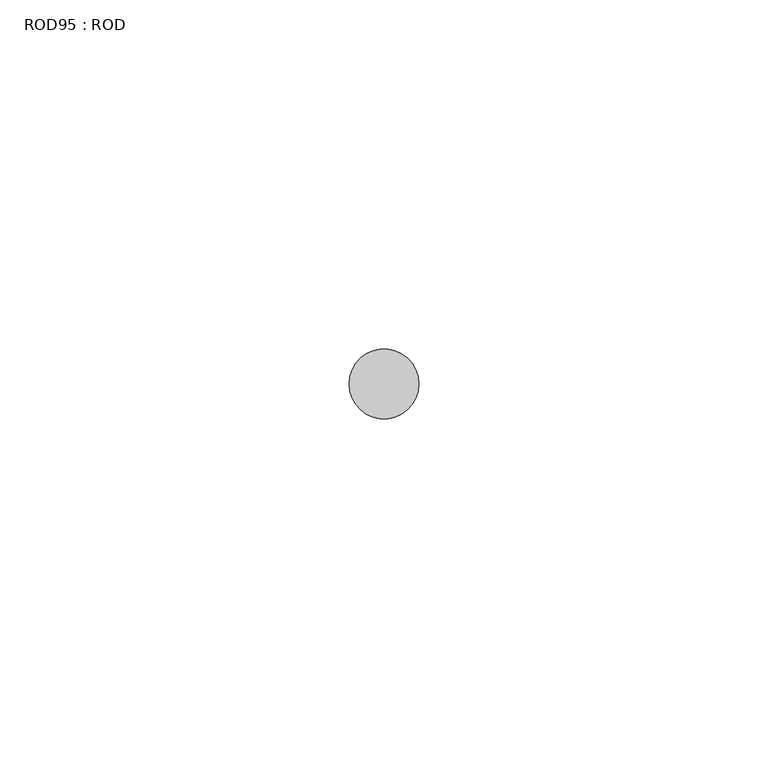
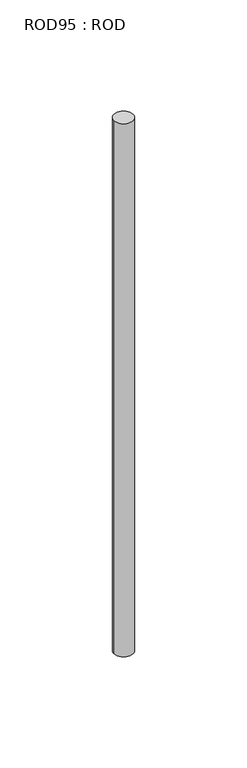
"""IFC4 building model written with IfcOpenShell, lengths in millimetres: proxy geometry, ROD95 : ROD."""

import ifcopenshell
import ifcopenshell.guid

model = None  # the IFC model being written
_history = None  # IfcOwnerHistory: only IFC2X3 demands one
_inside = {}  # id of a spatial element -> (the spatial element, [elements in it])
_under = {}  # id of a project, library or spatial element -> (it, [spatial elements below it])
_declared = {}  # id of a project -> (the project, [libraries it declares])
_typed = {}  # id of a type object -> (the type object, [elements of that type])
_made_of = {}  # id of a material, layer set ... -> (it, [elements and type objects made of it])


def new_model(schema):
    """Start an empty IFC model of exactly this schema.

    Asked for "IFC4X3", IfcOpenShell would pick the latest addendum, in which some entities
    have other attributes; the version numbers below select the first issue.
    IFC2X3 requires an IfcOwnerHistory on every rooted entity: one is made here for all.
    """
    global model, _history
    if schema == "IFC4X3":
        model = ifcopenshell.file(schema_version=(4, 3, 0, 0))
    else:
        model = ifcopenshell.file(schema=schema)
    _inside.clear()
    _under.clear()
    _declared.clear()
    _typed.clear()
    _made_of.clear()
    _history = None
    if model.schema == "IFC2X3":
        org = make("IfcOrganization", Name="unknown")
        user = make(
            "IfcPersonAndOrganization",
            ThePerson=make("IfcPerson", FamilyName="unknown"),
            TheOrganization=org,
        )
        app = make(
            "IfcApplication",
            ApplicationDeveloper=org,
            Version="unknown",
            ApplicationFullName="unknown",
            ApplicationIdentifier="unknown",
        )
        _history = make(
            "IfcOwnerHistory",
            OwningUser=user,
            OwningApplication=app,
            ChangeAction="ADDED",
            CreationDate=0,
        )
    return model


def make(cls, **values):
    """One entity of the class cls with the attributes given. An attribute that is None is left unset."""
    return model.create_entity(
        cls, **{name: value for name, value in values.items() if value is not None}
    )


def rooted(cls, **values):
    """An entity with a GlobalId (a new one), such as an element, a storey or a relation."""
    return make(cls, GlobalId=ifcopenshell.guid.new(), OwnerHistory=_history, **values)


def si_unit(unit_type, name, prefix=None):
    """IfcSIUnit, for example si_unit("LENGTHUNIT", "METRE", prefix="MILLI")."""
    return make("IfcSIUnit", UnitType=unit_type, Prefix=prefix, Name=name)


def assignment(units):
    """IfcUnitAssignment: the units of a project."""
    return None if units is None else make("IfcUnitAssignment", Units=units)


def point(xyz):
    """IfcCartesianPoint."""
    return None if xyz is None else make("IfcCartesianPoint", Coordinates=xyz)


def direction(xyz):
    """IfcDirection."""
    return None if xyz is None else make("IfcDirection", DirectionRatios=xyz)


def frame(location, z_axis=None, x_axis=None):
    """IfcAxis2Placement3D, a coordinate frame: its origin and axes. An axis left out is left unset."""
    return make(
        "IfcAxis2Placement3D",
        Location=point(location),
        Axis=direction(z_axis),
        RefDirection=direction(x_axis),
    )


def frame_2d(location, x_axis=None):
    """IfcAxis2Placement2D, a coordinate frame in the plane: its origin and x axis."""
    return make(
        "IfcAxis2Placement2D", Location=point(location), RefDirection=direction(x_axis)
    )


def origin():
    """The frame at (0, 0, 0) with its axes left unset."""
    return frame((0.0, 0.0, 0.0))


def place(relative_to, where):
    """IfcLocalPlacement: puts the frame where relative to a parent placement (None: the world)."""
    return make(
        "IfcLocalPlacement", PlacementRelTo=relative_to, RelativePlacement=where
    )


def context(
    kind, dimensions, precision=None, world=None, true_north=None, identifier=None
):
    """IfcGeometricRepresentationContext, for example the 3D "Model" context."""
    return make(
        "IfcGeometricRepresentationContext",
        ContextIdentifier=identifier,
        ContextType=kind,
        CoordinateSpaceDimension=dimensions,
        Precision=precision,
        WorldCoordinateSystem=world,
        TrueNorth=true_north,
    )


def project(units=None, contexts=None):
    """IfcProject with its units and contexts."""
    return rooted(
        "IfcProject",
        Name="project",
        RepresentationContexts=contexts,
        UnitsInContext=assignment(units),
    )


def spatial(cls, under=None, at=None, **own):
    """A site, building, storey or space (cls), placed at a placement, below another one or the project."""
    s = rooted(cls, ObjectPlacement=at, **own)
    if under is not None:
        _under.setdefault(under.id(), (under, []))[1].append(s)
    return s


def circle_curve(where, radius):
    """IfcCircle in the frame where."""
    return make("IfcCircle", Position=where, Radius=radius)


def trimmed(basis, trim1, trim2, sense, master):
    """IfcTrimmedCurve: the piece of a basis curve between two trims."""
    return make(
        "IfcTrimmedCurve",
        BasisCurve=basis,
        Trim1=trim1,
        Trim2=trim2,
        SenseAgreement=sense,
        MasterRepresentation=master,
    )


def segment(curve, same_sense, transition):
    """IfcCompositeCurveSegment."""
    return make(
        "IfcCompositeCurveSegment",
        Transition=transition,
        SameSense=same_sense,
        ParentCurve=curve,
    )


def composite_curve(segments, self_intersect=None):
    """IfcCompositeCurve: segments joined end to end."""
    return make("IfcCompositeCurve", Segments=segments, SelfIntersect=self_intersect)


def outline(outer, holes=None, kind="AREA"):
    """IfcArbitraryClosedProfileDef: a profile drawn as a closed curve; with holes, ...WithVoids."""
    if holes is None:
        return make("IfcArbitraryClosedProfileDef", ProfileType=kind, OuterCurve=outer)
    return make(
        "IfcArbitraryProfileDefWithVoids",
        ProfileType=kind,
        OuterCurve=outer,
        InnerCurves=holes,
    )


def extrude(swept, where, along, depth):
    """IfcExtrudedAreaSolid: the profile swept, set in the frame where, extruded along a direction by depth."""
    return make(
        "IfcExtrudedAreaSolid",
        SweptArea=swept,
        Position=where,
        ExtrudedDirection=direction(along),
        Depth=depth,
    )


def shape(context_of_items, identifier, shape_type, items):
    """IfcShapeRepresentation: the items that make up one representation, for example the "Body"."""
    return make(
        "IfcShapeRepresentation",
        ContextOfItems=context_of_items,
        RepresentationIdentifier=identifier,
        RepresentationType=shape_type,
        Items=items,
    )


def source(mapping_origin, context_of_items, identifier, shape_type, items):
    """IfcRepresentationMap: a shape defined once, which mapped items show again and again."""
    return make(
        "IfcRepresentationMap",
        MappingOrigin=mapping_origin,
        MappedRepresentation=shape(context_of_items, identifier, shape_type, items),
    )


def transform(
    local_origin,
    x_axis=None,
    y_axis=None,
    z_axis=None,
    scale=None,
    scale2=None,
    scale3=None,
    uniform=True,
):
    """IfcCartesianTransformationOperator3D, or its non-uniform kind. x_axis, y_axis, z_axis: its Axis1, 2, 3."""
    if uniform:
        return make(
            "IfcCartesianTransformationOperator3D",
            Axis1=direction(x_axis),
            Axis2=direction(y_axis),
            LocalOrigin=point(local_origin),
            Scale=scale,
            Axis3=direction(z_axis),
        )
    return make(
        "IfcCartesianTransformationOperator3DnonUniform",
        Axis1=direction(x_axis),
        Axis2=direction(y_axis),
        LocalOrigin=point(local_origin),
        Scale=scale,
        Axis3=direction(z_axis),
        Scale2=scale2,
        Scale3=scale3,
    )


def mapped(mapping_source, mapping_target):
    """IfcMappedItem: shows the shape of a source again, moved by a transform."""
    return make(
        "IfcMappedItem", MappingSource=mapping_source, MappingTarget=mapping_target
    )


def made_of(thing, what):
    """Note that an element or type object is made of a material, layer set ...; save() writes the relation."""
    if what is not None:
        _made_of.setdefault(what.id(), (what, []))[1].append(thing)
    return thing


def element(
    cls,
    number,
    at=None,
    inside=None,
    cuts=None,
    type_object=None,
    material=None,
    context=None,
    identifier="Body",
    shape_type=None,
    held_by="IfcProductDefinitionShape",
    body=None,
    shapes=None,
    **own,
):
    """One element of the class cls, such as IfcWall. Its Tag is "e" and its number.

    at: its placement. inside: the storey or other place that contains it. cuts: it is an
    opening in that element (IfcRelVoidsElement). A single representation is given by context,
    identifier, shape_type and body (its items); several are given by shapes. held_by: the class
    of the entity that holds the representations. save() writes the other relations.
    """
    e = rooted(cls, Tag="e%d" % number, ObjectPlacement=at, **own)
    if body is not None:
        shapes = [shape(context, identifier, shape_type, body)]
    if shapes is not None:
        e.Representation = make(held_by, Representations=shapes)
    if inside is not None:
        _inside.setdefault(inside.id(), (inside, []))[1].append(e)
    if cuts is not None:
        rooted(
            "IfcRelVoidsElement", RelatingBuildingElement=cuts, RelatedOpeningElement=e
        )
    if type_object is not None:
        _typed.setdefault(type_object.id(), (type_object, []))[1].append(e)
    return made_of(e, material)


def aggregate(whole, parts):
    """IfcRelAggregates: a whole, such as a stair, and the parts it consists of."""
    return rooted("IfcRelAggregates", RelatingObject=whole, RelatedObjects=parts)


def save(model, path):
    """Write the relations noted so far, then the file.

    IfcRelAggregates (storeys below a building ...), IfcRelContainedInSpatialStructure (elements
    in a storey), IfcRelDefinesByType, IfcRelAssociatesMaterial and IfcRelDeclares: one each for
    every whole, place, type object, material and project.
    """
    for whole, parts in _under.values():
        aggregate(whole, parts)
    for where, things in _inside.values():
        rooted(
            "IfcRelContainedInSpatialStructure",
            RelatedElements=things,
            RelatingStructure=where,
        )
    for kind, things in _typed.values():
        rooted("IfcRelDefinesByType", RelatedObjects=things, RelatingType=kind)
    for what, things in _made_of.values():
        rooted("IfcRelAssociatesMaterial", RelatedObjects=things, RelatingMaterial=what)
    for by, libraries in _declared.values():
        rooted("IfcRelDeclares", RelatingContext=by, RelatedDefinitions=libraries)
    model.write(path)


def rod95_rod_5bf75b22(model_context):
    return source(origin(), model_context, "Body", "SweptSolid", [
        extrude(outline(composite_curve([segment(trimmed(circle_curve(frame_2d((-3807.2215616, -12414.6300853)), 5.0), [point((-3812.2215616, -12414.6300853))], [point((-3802.2215616, -12414.6300853))], False, "CARTESIAN"), True, "CONTINUOUS"), segment(trimmed(circle_curve(frame_2d((-3807.2215616, -12414.6300853)), 5.0), [point((-3802.2215616, -12414.6300853))], [point((-3812.2215616, -12414.6300853))], False, "CARTESIAN"), True, "CONTINUOUS")], self_intersect=False)), frame((0.0, 0.0, -208.6608845), z_axis=(0.0, 0.0, 1.0), x_axis=(1.0, 0.0, 0.0)), (0.0, 0.0, 1.0), 298.9028972),
    ])


if __name__ == "__main__":
    model = new_model("IFC4")
    model_context = context("Model", 3, world=origin())
    ifc_project = project(units=[si_unit("LENGTHUNIT", "METRE", prefix="MILLI")], contexts=[model_context])
    site = spatial("IfcSite", under=ifc_project)
    building = spatial("IfcBuilding", under=site)
    placement = place(None, origin())
    rod95_rod_shape = rod95_rod_5bf75b22(model_context)
    element("IfcBuildingElementProxy", 1, Name="ROD95 : ROD", ObjectType="ROD95 : ROD", at=placement, inside=building, context=model_context, shape_type="MappedRepresentation", body=[
        mapped(rod95_rod_shape, transform((0.0, 0.0, 0.0), x_axis=(1.0, 0.0, 0.0), y_axis=(0.0, 1.0, 0.0), z_axis=(0.0, 0.0, 1.0))),
    ])
    save(model, "model.ifc")
